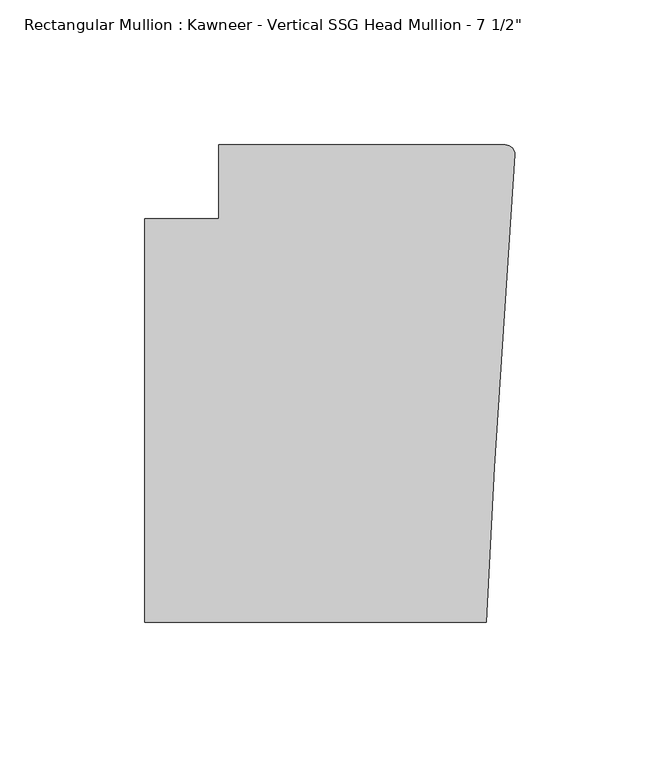
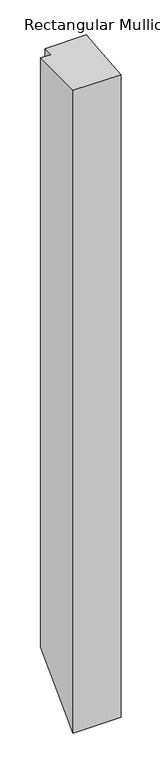
"""IFC4 building model written with IfcOpenShell, lengths in millimetres: member geometry."""

from ifc_helpers import new_model, si_unit, frame, origin, place, context, project, spatial, circle_curve, ellipse_curve, source, transform, mapped, element, save
from ifc_brep_helpers import plane_surface, cylinder_surface, advanced_brep


def member_32d32d97(model_context):
    return source(origin(), model_context, "Body", "AdvancedBrep", [
        advanced_brep(
        [(-102.08978, 12.7, 0.0), (-102.08978, -12.7, 0.0), (-127.4896668, -12.7, 0.0), (-127.4896668, -151.892, 0.0), (-9.7860662, -151.892, 0.0), (-6.9873394, -98.4891117, 0.0), (-0.006635, 9.3198462, 0.0), (-3.175, 12.7, 0.0), (-102.08978, 12.7, -1510.2305615), (-102.08978, -12.7, -1535.6305615), (-127.4896668, -12.7, -1535.6305615), (-127.4896668, -151.892, -1674.8225615), (-9.7860662, -151.892, -1674.8225615), (-6.9873394, -98.4891117, -1621.4196732), (-0.006635, 9.3198462, -1513.6107153), (-3.175, 12.7, -1510.2305615)],
        [
            (0, 1),
            (1, 2),
            (2, 3),
            (3, 4),
            (4, 5),
            (5, 6),
            (6, 7, circle_curve(frame((-3.175, 9.525, 0.0), z_axis=(0.0, 0.0, 1.0), x_axis=(0.0, 1.0, 0.0)), 3.175)),
            (7, 0),
            (0, 8),
            (8, 9),
            (9, 1),
            (9, 10),
            (10, 2),
            (10, 11),
            (11, 3),
            (11, 12),
            (12, 4),
            (12, 13),
            (13, 5),
            (13, 14),
            (14, 6),
            (14, 15, ellipse_curve(frame((-3.175, 9.525, -1513.4055615), z_axis=(0.0, -0.7071067811865481, 0.707106781186547), x_axis=(0.0, 0.7071067811865469, 0.707106781186548)), 4.4901281, 3.175)),
            (15, 7),
            (15, 8),
        ],
        [
            plane_surface(frame((0.0, -198.3048028, 0.0), z_axis=(0.0, 0.0, 1.0), x_axis=(-1.0, 0.0, 0.0))),
            plane_surface(frame((-102.08978, 12.7, 0.0), z_axis=(-1.0, 0.0, 0.0), x_axis=(0.0, 0.0, -1.0))),
            plane_surface(frame((-102.08978, -12.7, 0.0), z_axis=(0.0, 1.0, 0.0), x_axis=(0.0, 0.0, -1.0))),
            plane_surface(frame((-127.4896668, -12.7, 0.0), z_axis=(-1.0, 0.0, 0.0), x_axis=(0.0, 0.0, -1.0))),
            plane_surface(frame((-127.4896668, -151.892, 0.0), z_axis=(0.0, -1.0, 0.0), x_axis=(0.0, 0.0, -1.0))),
            plane_surface(frame((-9.7860662, -151.892, 0.0), z_axis=(0.9986295347545738, -0.05233595624294541, 0.0), x_axis=(0.0, 0.0, -1.0))),
            plane_surface(frame((-6.9873394, -98.4891117, 0.0), z_axis=(0.9979102429769694, -0.06461537712995265, 0.0), x_axis=(0.0, 0.0, -1.0))),
            cylinder_surface(frame((-3.175, 9.525, 0.0), z_axis=(0.0, 0.0, 1.0), x_axis=(0.0, 1.0, 0.0)), 3.175),
            plane_surface(frame((-3.175, 12.7, 0.0), z_axis=(0.0, 1.0, 0.0), x_axis=(0.0, 0.0, -1.0))),
            plane_surface(frame((-304.8, 0.0, -1522.9305615), z_axis=(0.0, 0.7071067811865481, -0.707106781186547), x_axis=(0.0, 0.707106781186547, 0.7071067811865481))),
        ],
        [
            (0, [[1, 2, 3, 4, 5, 6, 7, 8]]),
            (1, [[-1, 9, 10, 11]]),
            (2, [[-2, -11, 12, 13]]),
            (3, [[-3, -13, 14, 15]]),
            (4, [[-4, -15, 16, 17]]),
            (5, [[-5, -17, 18, 19]]),
            (6, [[-6, -19, 20, 21]]),
            (7, [[-7, -21, 22, 23]]),
            (8, [[-8, -23, 24, -9]]),
            (9, [[-24, -22, -20, -18, -16, -14, -12, -10]]),
        ],
    ),
    ])


if __name__ == "__main__":
    model = new_model("IFC4")
    model_context = context("Model", 3, world=origin())
    ifc_project = project(units=[si_unit("LENGTHUNIT", "METRE", prefix="MILLI")], contexts=[model_context])
    site = spatial("IfcSite", under=ifc_project)
    building = spatial("IfcBuilding", under=site)
    placement = place(None, origin())
    member_shape = member_32d32d97(model_context)
    element("IfcMember", 1, ObjectType="Rectangular Mullion : Kawneer - Vertical SSG Head Mullion - 7 1/2\"", at=placement, inside=building, context=model_context, shape_type="MappedRepresentation", body=[
        mapped(member_shape, transform((0.0, 0.0, 0.0), x_axis=(1.0, 0.0, 0.0), y_axis=(0.0, 1.0, 0.0), z_axis=(0.0, 0.0, 1.0))),
    ])
    save(model, "model.ifc")
